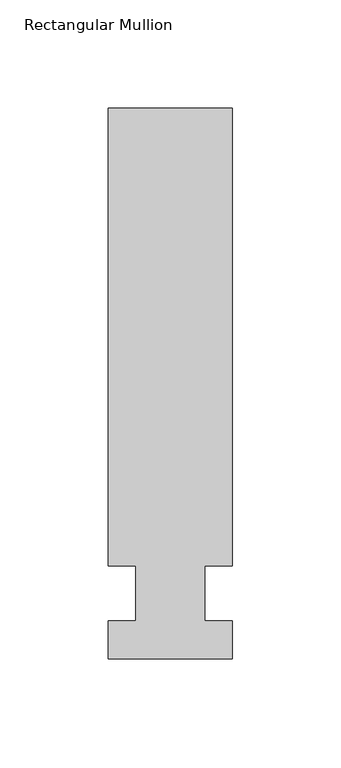
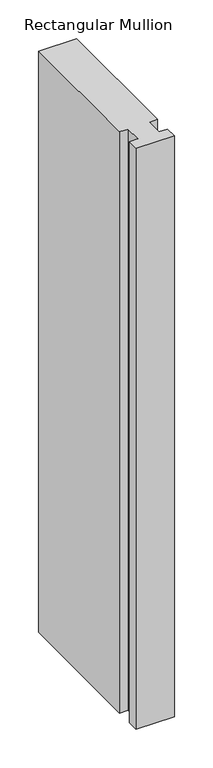
"""IFC4 building model written with IfcOpenShell, lengths in millimetres: member geometry, Rectangular Mullion."""

from ifc_helpers import new_model, si_unit, frame, origin, place, context, project, spatial, polyline, outline, extrude, source, transform, mapped, element, save


def rectangular_mullion_71b7b72c(model_context):
    return source(origin(), model_context, "Body", "SweptSolid", [
        extrude(outline(polyline([(28.575, 223.8375), (28.575, 12.7), (15.8732296, 12.7), (15.8732296, -12.7), (28.575, -12.7), (28.575, -30.1625), (-28.575, -30.1625), (-28.575, -12.7), (-15.875, -12.7), (-15.875, 12.7), (-28.575, 12.7), (-28.575, 223.8375), (28.575, 223.8375)])), frame((0.0, 0.0, -920.75), z_axis=(0.0, 0.0, 1.0), x_axis=(1.0, 0.0, 0.0)), (0.0, 0.0, 1.0), 920.75),
    ])


if __name__ == "__main__":
    model = new_model("IFC4")
    model_context = context("Model", 3, world=origin())
    ifc_project = project(units=[si_unit("LENGTHUNIT", "METRE", prefix="MILLI")], contexts=[model_context])
    site = spatial("IfcSite", under=ifc_project)
    building = spatial("IfcBuilding", under=site)
    placement = place(None, origin())
    rectangular_mullion_shape = rectangular_mullion_71b7b72c(model_context)
    element("IfcMember", 1, ObjectType="Rectangular Mullion", at=placement, inside=building, context=model_context, shape_type="MappedRepresentation", body=[
        mapped(rectangular_mullion_shape, transform((0.0, 0.0, 0.0), x_axis=(1.0, 0.0, 0.0), y_axis=(0.0, 1.0, 0.0), z_axis=(0.0, 0.0, 1.0))),
    ])
    save(model, "model.ifc")
